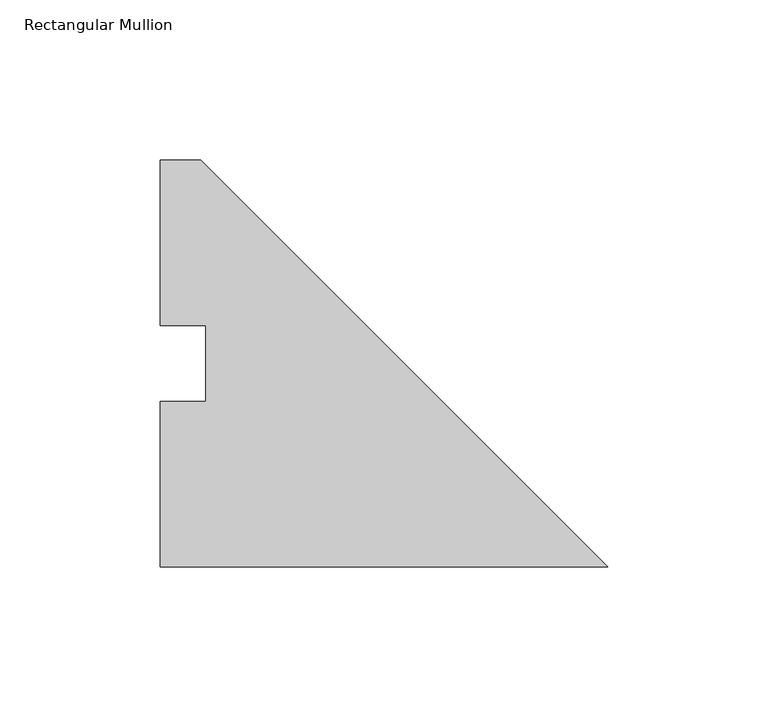
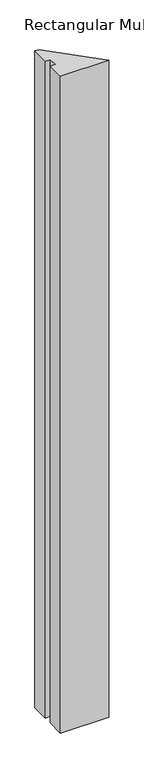
"""IFC4 building model written with IfcOpenShell, lengths in millimetres: member geometry, Rectangular Mullion."""

from ifc_helpers import new_model, si_unit, frame, origin, place, context, project, spatial, polyline, outline, extrude, source, transform, mapped, element, save


def rectangular_mullion_e6a12a1e(model_context):
    return source(origin(), model_context, "Body", "SweptSolid", [
        extrude(outline(polyline([(-139.7, 0.00635), (-139.7, 51.60645), (-125.4125, 51.60645), (-125.4125, 75.40625), (-139.7, 75.40625), (-139.7, 127.00635), (-127.0, 127.00635), (0.0, 0.00635), (-139.7, 0.00635)])), frame((0.0, 0.0, -1997.075), z_axis=(0.0, 0.0, 1.0), x_axis=(1.0, 0.0, 0.0)), (0.0, 0.0, 1.0), 1997.075),
    ])


if __name__ == "__main__":
    model = new_model("IFC4")
    model_context = context("Model", 3, world=origin())
    ifc_project = project(units=[si_unit("LENGTHUNIT", "METRE", prefix="MILLI")], contexts=[model_context])
    site = spatial("IfcSite", under=ifc_project)
    building = spatial("IfcBuilding", under=site)
    placement = place(None, origin())
    rectangular_mullion_shape = rectangular_mullion_e6a12a1e(model_context)
    element("IfcMember", 1, ObjectType="Rectangular Mullion", at=placement, inside=building, context=model_context, shape_type="MappedRepresentation", body=[
        mapped(rectangular_mullion_shape, transform((0.0, 0.0, 0.0), x_axis=(1.0, 0.0, 0.0), y_axis=(0.0, 1.0, 0.0), z_axis=(0.0, 0.0, 1.0))),
    ])
    save(model, "model.ifc")
